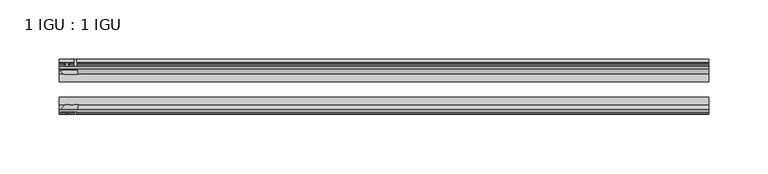
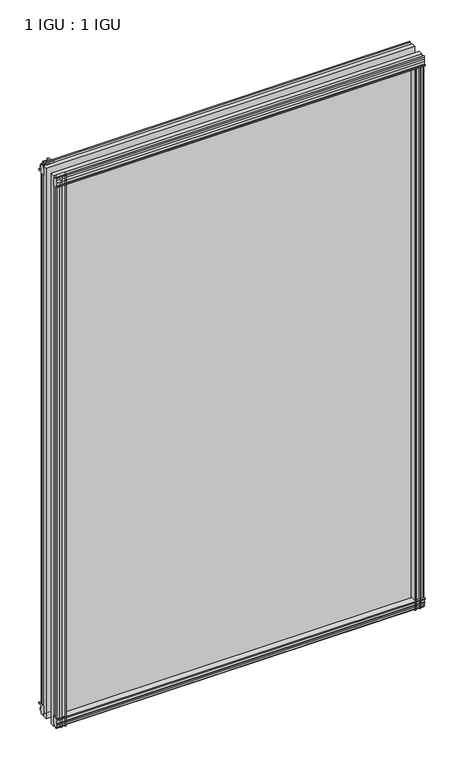
"""IFC4 building model written with IfcOpenShell, lengths in millimetres: plate geometry, 1 IGU : 1 IGU."""

from ifc_helpers import new_model, si_unit, point, frame, frame_2d, origin, place, context, project, spatial, polyline, circle_curve, trimmed, segment, composite_curve, outline, extrude, source, transform, mapped, element, save


def plate_1_igu_1_igu_4fca60e3(model_context):
    return source(origin(), model_context, "Body", "SweptSolid", [
        extrude(outline(polyline([(-24.9039062, 2.5763839), (-12.2039062, 1.5739665), (-12.2039062, 0.0), (-18.5539062, 0.0), (-18.5539062, -4.953), (-16.254502, -5.5691235), (-16.6301757, -4.1670901), (-15.7714677, -3.937), (-15.1249062, -6.35), (-15.7714677, -8.763), (-16.6301757, -8.5329099), (-16.254502, -7.1308765), (-18.5539062, -7.747), (-18.5539062, -12.7), (-20.5859062, -12.7), (-24.9039062, -9.1036931), (-24.9039062, 2.5763839)])), frame((-272.3638877, 0.0, 0.0), z_axis=(1.0, 0.0, 0.0), x_axis=(0.0, 1.0, 0.0)), (0.0, 0.0, 1.0), 546.4144942),
        extrude(outline(composite_curve([segment(polyline([(-58.2287402, 1.5687054), (-50.3039062, 3.0983599), (-50.3039062, -7.92383), (-54.4858806, -12.1058044)]), True, "CONTINUOUS"), segment(trimmed(circle_curve(frame_2d((-55.3839062, -11.2077788)), 1.27), [point((-54.4858806, -12.1058044))], [point((-56.6539062, -11.2077788))], False, "CARTESIAN"), True, "CONTINUOUS"), segment(polyline([(-56.6539062, -11.2077788), (-56.6539062, -8.0327788), (-58.1332022, -5.4488186), (-56.6539062, -5.1879788), (-56.6539062, 0.2222212), (-58.2287402, 0.0), (-58.2287402, 1.5687054)]), True, "CONTINUOUS")], self_intersect=False)), frame((-272.3638877, 0.0, 0.0), z_axis=(1.0, 0.0, 0.0), x_axis=(0.0, 1.0, 0.0)), (0.0, 0.0, 1.0), 546.4144942),
        extrude(outline(polyline([(-18.5539063, 845.956525), (-16.254502, 845.3404015), (-16.6301757, 846.7424349), (-15.7714677, 846.972525), (-15.1249063, 844.559525), (-15.7714677, 842.146525), (-16.6301757, 842.3766151), (-16.254502, 843.7786485), (-18.5539063, 843.162525), (-18.5539063, 838.209525), (-12.2039062, 838.209525), (-12.2039062, 836.6355584), (-24.9039063, 835.6331411), (-24.9039063, 847.3132181), (-20.5859063, 850.909525), (-18.5539063, 850.909525), (-18.5539063, 845.956525)])), frame((-272.3638877, 0.0, 0.0), z_axis=(1.0, 0.0, 0.0), x_axis=(0.0, 1.0, 0.0)), (0.0, 0.0, 1.0), 546.4144942),
        extrude(outline(composite_curve([segment(polyline([(-50.3039063, 846.133355), (-50.3039063, 835.1111651), (-58.2287402, 836.6408196), (-58.2287402, 838.209525), (-56.6539063, 837.9873038), (-56.6539063, 843.3975038), (-58.1332023, 843.6583436), (-56.6539063, 846.2423038), (-56.6539063, 849.4173038)]), True, "CONTINUOUS"), segment(trimmed(circle_curve(frame_2d((-55.3839063, 849.4173038)), 1.27), [point((-56.6539063, 849.4173038))], [point((-54.4858806, 850.3153294))], False, "CARTESIAN"), True, "CONTINUOUS"), segment(polyline([(-54.4858806, 850.3153294), (-50.3039063, 846.133355)]), True, "CONTINUOUS")], self_intersect=False)), frame((-272.3638877, 0.0, 0.0), z_axis=(1.0, 0.0, 0.0), x_axis=(0.0, 1.0, 0.0)), (0.0, 0.0, 1.0), 546.4144942),
        extrude(outline(composite_curve([segment(polyline([(259.6195625, -57.3876965), (258.2522465, -50.3039063), (269.2744365, -50.3039063), (273.4564109, -54.4858806)]), True, "CONTINUOUS"), segment(trimmed(circle_curve(frame_2d((272.5583853, -55.3839062)), 1.27), [point((273.4564109, -54.4858806))], [point((272.5583853, -56.6539062))], False, "CARTESIAN"), True, "CONTINUOUS"), segment(polyline([(272.5583853, -56.6539062), (269.3833853, -56.6539063), (266.7994251, -58.1332023), (266.5385853, -56.6539063), (261.1283853, -56.6539063), (261.3506065, -58.2287402), (260.3862857, -58.2014026)]), True, "CONTINUOUS"), segment(trimmed(circle_curve(frame_2d((260.6203853, -57.2127402)), 1.016), [point((260.3862857, -58.2014026))], [point((259.6195625, -57.3876965))], False, "CARTESIAN"), True, "CONTINUOUS")], self_intersect=False)), frame((0.0, 0.0, -12.7), z_axis=(0.0, 0.0, 1.0), x_axis=(1.0, 0.0, 0.0)), (0.0, 0.0, 1.0), 851.3064),
        extrude(outline(polyline([(266.3036065, -18.5539062), (266.91973, -16.254502), (265.5176966, -16.6301757), (265.2876065, -15.7714677), (267.7006065, -15.1249062), (270.1136065, -15.7714677), (269.8835163, -16.6301757), (268.481483, -16.254502), (269.0976065, -18.5539062), (274.0506065, -18.5539063), (274.0506065, -20.5859063), (270.4542996, -24.9039063), (258.7742225, -24.9039063), (259.7766399, -12.2039062), (261.3506065, -12.2039062), (261.3506065, -18.5539062), (266.3036065, -18.5539062)])), frame((0.0, 0.0, -12.7), z_axis=(0.0, 0.0, 1.0), x_axis=(1.0, 0.0, 0.0)), (0.0, 0.0, 1.0), 851.3064),
        extrude(outline(composite_curve([segment(polyline([(-267.6966665, -56.6539062), (-270.8716665, -56.6539062)]), True, "CONTINUOUS"), segment(trimmed(circle_curve(frame_2d((-270.8716665, -55.3839062)), 1.27), [point((-270.8716665, -56.6539062))], [point((-271.7696921, -54.4858806))], False, "CARTESIAN"), True, "CONTINUOUS"), segment(polyline([(-271.7696921, -54.4858806), (-267.5877177, -50.3039062), (-263.9181723, -50.3039062)]), True, "CONTINUOUS"), segment(trimmed(circle_curve(frame_2d((-261.8546665, -46.3669062)), 4.445), [point((-263.9181723, -50.3039062))], [point((-259.7911608, -50.3039062))], True, "CARTESIAN"), True, "CONTINUOUS"), segment(polyline([(-259.7911608, -50.3039062), (-256.5655278, -50.3039062), (-258.0951823, -58.2287402), (-259.6638877, -58.2287402), (-259.4416665, -56.6539062), (-264.8518665, -56.6539062), (-265.1127063, -58.1332022), (-267.6966665, -56.6539062)]), True, "CONTINUOUS")], self_intersect=False)), frame((0.0, 0.0, -12.7), z_axis=(0.0, 0.0, 1.0), x_axis=(1.0, 0.0, 0.0)), (0.0, 0.0, 1.0), 863.609525),
        extrude(outline(polyline([(-257.0875038, -24.9039062), (-268.7675808, -24.9039062), (-272.3638877, -20.5859062), (-272.3638877, -18.5539062), (-267.4108877, -18.5539062), (-266.7947642, -16.254502), (-268.1967976, -16.6301757), (-268.4268877, -15.7714677), (-266.0138877, -15.1249062), (-263.6008877, -15.7714677), (-263.8309778, -16.6301757), (-265.2330112, -16.254502), (-264.6168877, -18.5539062), (-259.6638877, -18.5539062), (-259.6638877, -12.2039062), (-258.0899212, -12.2039062), (-257.0875038, -24.9039062)])), frame((0.0, 0.0, -12.7), z_axis=(0.0, 0.0, 1.0), x_axis=(1.0, 0.0, 0.0)), (0.0, 0.0, 1.0), 863.609525),
        extrude(outline(polyline([(274.0506065, -24.9039062), (274.0506065, -31.2031063), (-272.3638877, -31.2031063), (-272.3638877, -24.9039062), (274.0506065, -24.9039062)])), frame((0.0, 0.0, -12.7), z_axis=(0.0, 0.0, 1.0), x_axis=(1.0, 0.0, 0.0)), (0.0, 0.0, 1.0), 863.609525),
        extrude(outline(polyline([(-272.3638877, -44.0047063), (274.0506065, -44.0047063), (274.0506065, -50.3039062), (-272.3638877, -50.3039062), (-272.3638877, -44.0047063)])), frame((0.0, 0.0, -12.7), z_axis=(0.0, 0.0, 1.0), x_axis=(1.0, 0.0, 0.0)), (0.0, 0.0, 1.0), 863.609525),
    ])


if __name__ == "__main__":
    model = new_model("IFC4")
    model_context = context("Model", 3, world=origin())
    ifc_project = project(units=[si_unit("LENGTHUNIT", "METRE", prefix="MILLI")], contexts=[model_context])
    site = spatial("IfcSite", under=ifc_project)
    building = spatial("IfcBuilding", under=site)
    placement = place(None, origin())
    plate_1_igu_1_igu_shape = plate_1_igu_1_igu_4fca60e3(model_context)
    element("IfcPlate", 1, ObjectType="1 IGU : 1 IGU", at=placement, inside=building, context=model_context, shape_type="MappedRepresentation", body=[
        mapped(plate_1_igu_1_igu_shape, transform((0.0, 0.0, 0.0), x_axis=(1.0, 0.0, 0.0), y_axis=(0.0, 1.0, 0.0), z_axis=(0.0, 0.0, 1.0))),
    ])
    save(model, "model.ifc")
